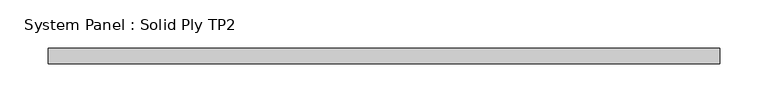
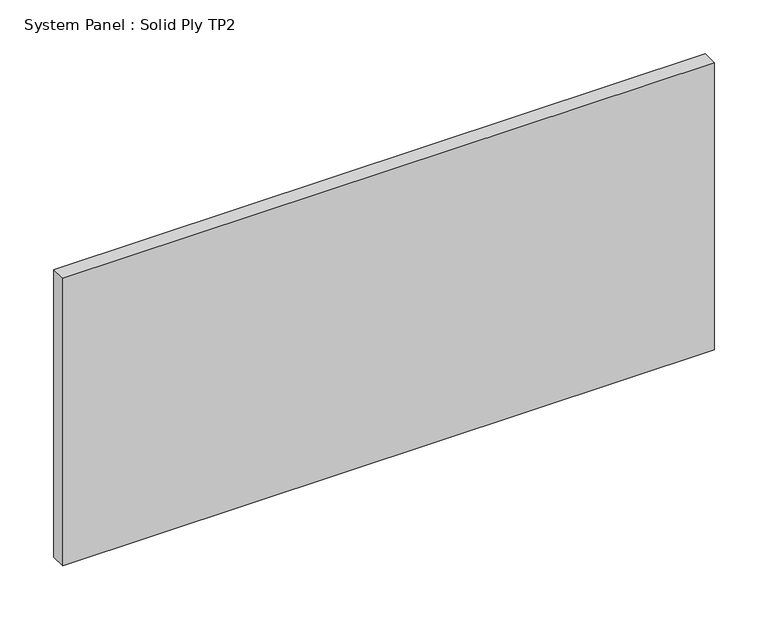
"""IFC4 building model written with IfcOpenShell, lengths in millimetres: plate geometry, System Panel : Solid Ply TP2."""

from ifc_helpers import new_model, si_unit, origin, origin_with_axes, place, context, project, spatial, polyline, outline, extrude, source, transform, mapped, element, save


def system_panel_solid_ply_tp2_1d9533f7(model_context):
    return source(origin(), model_context, "Body", "SweptSolid", [
        extrude(outline(polyline([(348.3778248, -23.0), (-348.3778248, -23.0), (-348.3778248, -7.0), (348.3778248, -7.0), (348.3778248, -23.0)])), origin_with_axes(), (0.0, 0.0, 1.0), 325.0),
    ])


if __name__ == "__main__":
    model = new_model("IFC4")
    model_context = context("Model", 3, world=origin())
    ifc_project = project(units=[si_unit("LENGTHUNIT", "METRE", prefix="MILLI")], contexts=[model_context])
    site = spatial("IfcSite", under=ifc_project)
    building = spatial("IfcBuilding", under=site)
    placement = place(None, origin())
    system_panel_solid_ply_tp2_shape = system_panel_solid_ply_tp2_1d9533f7(model_context)
    element("IfcPlate", 1, ObjectType="System Panel : Solid Ply TP2", at=placement, inside=building, context=model_context, shape_type="MappedRepresentation", body=[
        mapped(system_panel_solid_ply_tp2_shape, transform((0.0, 0.0, 0.0), x_axis=(1.0, 0.0, 0.0), y_axis=(0.0, 1.0, 0.0), z_axis=(0.0, 0.0, 1.0))),
    ])
    save(model, "model.ifc")
